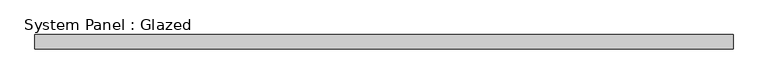
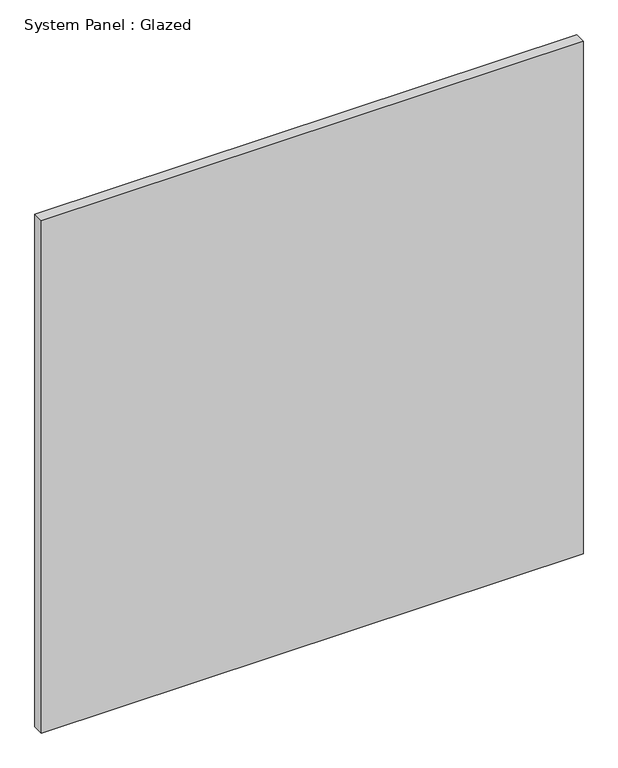
"""IFC4 building model written with IfcOpenShell, lengths in millimetres: plate geometry, System Panel : Glazed."""

from ifc_helpers import new_model, si_unit, origin, origin_with_axes, place, context, project, spatial, polyline, outline, extrude, source, transform, mapped, element, save


def system_panel_glazed_84cf4e26(model_context):
    return source(origin(), model_context, "Body", "SweptSolid", [
        extrude(outline(polyline([(609.6, 19.05), (-609.6, 19.05), (-609.6, 44.45), (609.6, 44.45), (609.6, 19.05)])), origin_with_axes(), (0.0, 0.0, 1.0), 1219.2),
    ])


if __name__ == "__main__":
    model = new_model("IFC4")
    model_context = context("Model", 3, world=origin())
    ifc_project = project(units=[si_unit("LENGTHUNIT", "METRE", prefix="MILLI")], contexts=[model_context])
    site = spatial("IfcSite", under=ifc_project)
    building = spatial("IfcBuilding", under=site)
    placement = place(None, origin())
    system_panel_glazed_shape = system_panel_glazed_84cf4e26(model_context)
    element("IfcPlate", 1, ObjectType="System Panel : Glazed", at=placement, inside=building, context=model_context, shape_type="MappedRepresentation", body=[
        mapped(system_panel_glazed_shape, transform((0.0, 0.0, 0.0), x_axis=(1.0, 0.0, 0.0), y_axis=(0.0, 1.0, 0.0), z_axis=(0.0, 0.0, 1.0))),
    ])
    save(model, "model.ifc")
